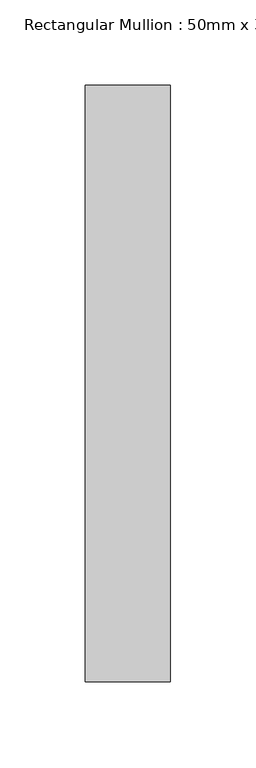
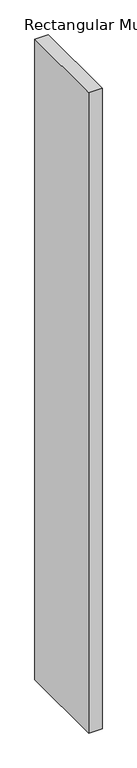
"""IFC4 building model written with IfcOpenShell, lengths in millimetres: member geometry, Rectangular Mullion : 50mm x 350mm."""

from ifc_helpers import new_model, si_unit, frame, origin, place, context, project, spatial, polyline, outline, extrude, source, transform, mapped, element, save


def rectangular_mullion_50mm_x_350mm_048f3aa4(model_context):
    return source(origin(), model_context, "Body", "SweptSolid", [
        extrude(outline(polyline([(0.0, 175.0), (0.0, -175.0), (-50.0, -175.0), (-50.0, 175.0), (0.0, 175.0)])), frame((0.0, 0.0, -2540.0), z_axis=(0.0, 0.0, 1.0), x_axis=(1.0, 0.0, 0.0)), (0.0, 0.0, 1.0), 2540.0),
    ])


if __name__ == "__main__":
    model = new_model("IFC4")
    model_context = context("Model", 3, world=origin())
    ifc_project = project(units=[si_unit("LENGTHUNIT", "METRE", prefix="MILLI")], contexts=[model_context])
    site = spatial("IfcSite", under=ifc_project)
    building = spatial("IfcBuilding", under=site)
    placement = place(None, origin())
    rectangular_mullion_50mm_x_350mm_shape = rectangular_mullion_50mm_x_350mm_048f3aa4(model_context)
    element("IfcMember", 1, ObjectType="Rectangular Mullion : 50mm x 350mm", at=placement, inside=building, context=model_context, shape_type="MappedRepresentation", body=[
        mapped(rectangular_mullion_50mm_x_350mm_shape, transform((0.0, 0.0, 0.0), x_axis=(1.0, 0.0, 0.0), y_axis=(0.0, 1.0, 0.0), z_axis=(0.0, 0.0, 1.0))),
    ])
    save(model, "model.ifc")
